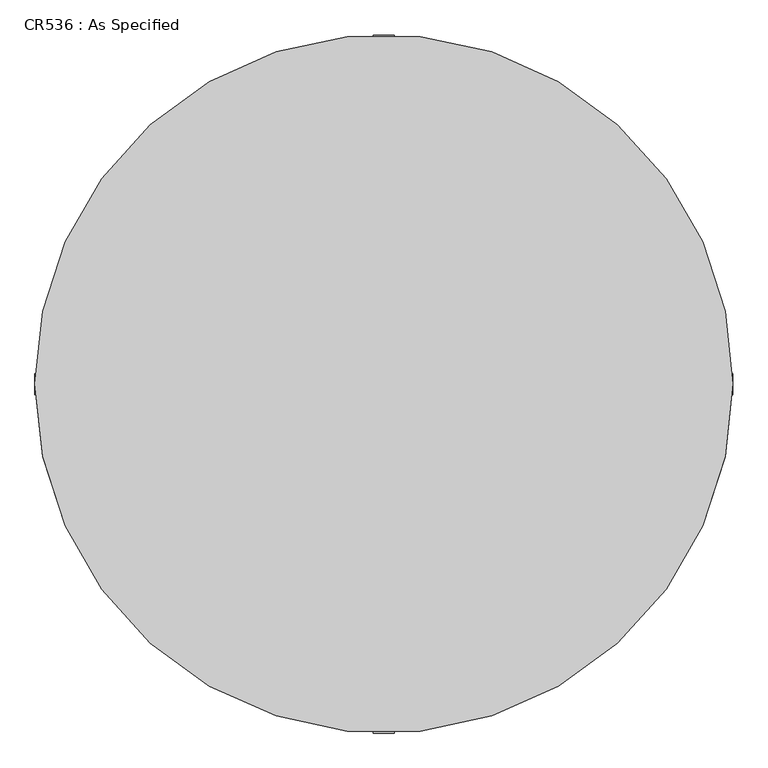
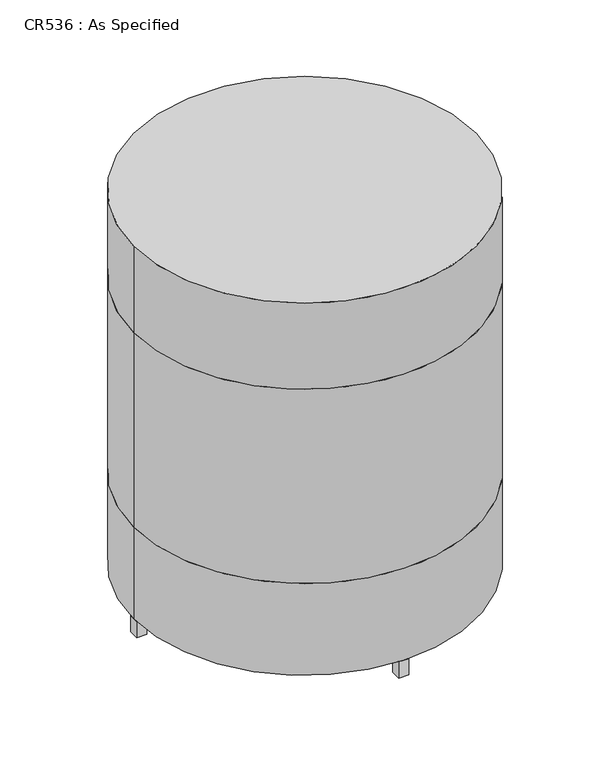
"""IFC4 building model written with IfcOpenShell, lengths in millimetres: proxy geometry, CR536 : As Specified."""

import ifcopenshell
import ifcopenshell.guid

model = None  # the IFC model being written
_history = None  # IfcOwnerHistory: only IFC2X3 demands one
_inside = {}  # id of a spatial element -> (the spatial element, [elements in it])
_under = {}  # id of a project, library or spatial element -> (it, [spatial elements below it])
_declared = {}  # id of a project -> (the project, [libraries it declares])
_typed = {}  # id of a type object -> (the type object, [elements of that type])
_made_of = {}  # id of a material, layer set ... -> (it, [elements and type objects made of it])


def new_model(schema):
    """Start an empty IFC model of exactly this schema.

    Asked for "IFC4X3", IfcOpenShell would pick the latest addendum, in which some entities
    have other attributes; the version numbers below select the first issue.
    IFC2X3 requires an IfcOwnerHistory on every rooted entity: one is made here for all.
    """
    global model, _history
    if schema == "IFC4X3":
        model = ifcopenshell.file(schema_version=(4, 3, 0, 0))
    else:
        model = ifcopenshell.file(schema=schema)
    _inside.clear()
    _under.clear()
    _declared.clear()
    _typed.clear()
    _made_of.clear()
    _history = None
    if model.schema == "IFC2X3":
        org = make("IfcOrganization", Name="unknown")
        user = make(
            "IfcPersonAndOrganization",
            ThePerson=make("IfcPerson", FamilyName="unknown"),
            TheOrganization=org,
        )
        app = make(
            "IfcApplication",
            ApplicationDeveloper=org,
            Version="unknown",
            ApplicationFullName="unknown",
            ApplicationIdentifier="unknown",
        )
        _history = make(
            "IfcOwnerHistory",
            OwningUser=user,
            OwningApplication=app,
            ChangeAction="ADDED",
            CreationDate=0,
        )
    return model


def make(cls, **values):
    """One entity of the class cls with the attributes given. An attribute that is None is left unset."""
    return model.create_entity(
        cls, **{name: value for name, value in values.items() if value is not None}
    )


def rooted(cls, **values):
    """An entity with a GlobalId (a new one), such as an element, a storey or a relation."""
    return make(cls, GlobalId=ifcopenshell.guid.new(), OwnerHistory=_history, **values)


def si_unit(unit_type, name, prefix=None):
    """IfcSIUnit, for example si_unit("LENGTHUNIT", "METRE", prefix="MILLI")."""
    return make("IfcSIUnit", UnitType=unit_type, Prefix=prefix, Name=name)


def assignment(units):
    """IfcUnitAssignment: the units of a project."""
    return None if units is None else make("IfcUnitAssignment", Units=units)


def point(xyz):
    """IfcCartesianPoint."""
    return None if xyz is None else make("IfcCartesianPoint", Coordinates=xyz)


def direction(xyz):
    """IfcDirection."""
    return None if xyz is None else make("IfcDirection", DirectionRatios=xyz)


def frame(location, z_axis=None, x_axis=None):
    """IfcAxis2Placement3D, a coordinate frame: its origin and axes. An axis left out is left unset."""
    return make(
        "IfcAxis2Placement3D",
        Location=point(location),
        Axis=direction(z_axis),
        RefDirection=direction(x_axis),
    )


def frame_2d(location, x_axis=None):
    """IfcAxis2Placement2D, a coordinate frame in the plane: its origin and x axis."""
    return make(
        "IfcAxis2Placement2D", Location=point(location), RefDirection=direction(x_axis)
    )


def origin():
    """The frame at (0, 0, 0) with its axes left unset."""
    return frame((0.0, 0.0, 0.0))


def origin_with_axes():
    """The frame at (0, 0, 0) with the z axis (0, 0, 1) and the x axis (1, 0, 0) written out."""
    return frame((0.0, 0.0, 0.0), z_axis=(0.0, 0.0, 1.0), x_axis=(1.0, 0.0, 0.0))


def origin_2d():
    """The frame at (0, 0) in the plane with its x axis left unset."""
    return frame_2d((0.0, 0.0))


def place(relative_to, where):
    """IfcLocalPlacement: puts the frame where relative to a parent placement (None: the world)."""
    return make(
        "IfcLocalPlacement", PlacementRelTo=relative_to, RelativePlacement=where
    )


def context(
    kind, dimensions, precision=None, world=None, true_north=None, identifier=None
):
    """IfcGeometricRepresentationContext, for example the 3D "Model" context."""
    return make(
        "IfcGeometricRepresentationContext",
        ContextIdentifier=identifier,
        ContextType=kind,
        CoordinateSpaceDimension=dimensions,
        Precision=precision,
        WorldCoordinateSystem=world,
        TrueNorth=true_north,
    )


def project(units=None, contexts=None):
    """IfcProject with its units and contexts."""
    return rooted(
        "IfcProject",
        Name="project",
        RepresentationContexts=contexts,
        UnitsInContext=assignment(units),
    )


def spatial(cls, under=None, at=None, **own):
    """A site, building, storey or space (cls), placed at a placement, below another one or the project."""
    s = rooted(cls, ObjectPlacement=at, **own)
    if under is not None:
        _under.setdefault(under.id(), (under, []))[1].append(s)
    return s


def polyline(points):
    """IfcPolyline through the points."""
    return make("IfcPolyline", Points=[point(p) for p in points])


def circle_curve(where, radius):
    """IfcCircle in the frame where."""
    return make("IfcCircle", Position=where, Radius=radius)


def trimmed(basis, trim1, trim2, sense, master):
    """IfcTrimmedCurve: the piece of a basis curve between two trims."""
    return make(
        "IfcTrimmedCurve",
        BasisCurve=basis,
        Trim1=trim1,
        Trim2=trim2,
        SenseAgreement=sense,
        MasterRepresentation=master,
    )


def segment(curve, same_sense, transition):
    """IfcCompositeCurveSegment."""
    return make(
        "IfcCompositeCurveSegment",
        Transition=transition,
        SameSense=same_sense,
        ParentCurve=curve,
    )


def composite_curve(segments, self_intersect=None):
    """IfcCompositeCurve: segments joined end to end."""
    return make("IfcCompositeCurve", Segments=segments, SelfIntersect=self_intersect)


def outline(outer, holes=None, kind="AREA"):
    """IfcArbitraryClosedProfileDef: a profile drawn as a closed curve; with holes, ...WithVoids."""
    if holes is None:
        return make("IfcArbitraryClosedProfileDef", ProfileType=kind, OuterCurve=outer)
    return make(
        "IfcArbitraryProfileDefWithVoids",
        ProfileType=kind,
        OuterCurve=outer,
        InnerCurves=holes,
    )


def extrude(swept, where, along, depth):
    """IfcExtrudedAreaSolid: the profile swept, set in the frame where, extruded along a direction by depth."""
    return make(
        "IfcExtrudedAreaSolid",
        SweptArea=swept,
        Position=where,
        ExtrudedDirection=direction(along),
        Depth=depth,
    )


def shape(context_of_items, identifier, shape_type, items):
    """IfcShapeRepresentation: the items that make up one representation, for example the "Body"."""
    return make(
        "IfcShapeRepresentation",
        ContextOfItems=context_of_items,
        RepresentationIdentifier=identifier,
        RepresentationType=shape_type,
        Items=items,
    )


def source(mapping_origin, context_of_items, identifier, shape_type, items):
    """IfcRepresentationMap: a shape defined once, which mapped items show again and again."""
    return make(
        "IfcRepresentationMap",
        MappingOrigin=mapping_origin,
        MappedRepresentation=shape(context_of_items, identifier, shape_type, items),
    )


def transform(
    local_origin,
    x_axis=None,
    y_axis=None,
    z_axis=None,
    scale=None,
    scale2=None,
    scale3=None,
    uniform=True,
):
    """IfcCartesianTransformationOperator3D, or its non-uniform kind. x_axis, y_axis, z_axis: its Axis1, 2, 3."""
    if uniform:
        return make(
            "IfcCartesianTransformationOperator3D",
            Axis1=direction(x_axis),
            Axis2=direction(y_axis),
            LocalOrigin=point(local_origin),
            Scale=scale,
            Axis3=direction(z_axis),
        )
    return make(
        "IfcCartesianTransformationOperator3DnonUniform",
        Axis1=direction(x_axis),
        Axis2=direction(y_axis),
        LocalOrigin=point(local_origin),
        Scale=scale,
        Axis3=direction(z_axis),
        Scale2=scale2,
        Scale3=scale3,
    )


def mapped(mapping_source, mapping_target):
    """IfcMappedItem: shows the shape of a source again, moved by a transform."""
    return make(
        "IfcMappedItem", MappingSource=mapping_source, MappingTarget=mapping_target
    )


def made_of(thing, what):
    """Note that an element or type object is made of a material, layer set ...; save() writes the relation."""
    if what is not None:
        _made_of.setdefault(what.id(), (what, []))[1].append(thing)
    return thing


def element(
    cls,
    number,
    at=None,
    inside=None,
    cuts=None,
    type_object=None,
    material=None,
    context=None,
    identifier="Body",
    shape_type=None,
    held_by="IfcProductDefinitionShape",
    body=None,
    shapes=None,
    **own,
):
    """One element of the class cls, such as IfcWall. Its Tag is "e" and its number.

    at: its placement. inside: the storey or other place that contains it. cuts: it is an
    opening in that element (IfcRelVoidsElement). A single representation is given by context,
    identifier, shape_type and body (its items); several are given by shapes. held_by: the class
    of the entity that holds the representations. save() writes the other relations.
    """
    e = rooted(cls, Tag="e%d" % number, ObjectPlacement=at, **own)
    if body is not None:
        shapes = [shape(context, identifier, shape_type, body)]
    if shapes is not None:
        e.Representation = make(held_by, Representations=shapes)
    if inside is not None:
        _inside.setdefault(inside.id(), (inside, []))[1].append(e)
    if cuts is not None:
        rooted(
            "IfcRelVoidsElement", RelatingBuildingElement=cuts, RelatedOpeningElement=e
        )
    if type_object is not None:
        _typed.setdefault(type_object.id(), (type_object, []))[1].append(e)
    return made_of(e, material)


def aggregate(whole, parts):
    """IfcRelAggregates: a whole, such as a stair, and the parts it consists of."""
    return rooted("IfcRelAggregates", RelatingObject=whole, RelatedObjects=parts)


def save(model, path):
    """Write the relations noted so far, then the file.

    IfcRelAggregates (storeys below a building ...), IfcRelContainedInSpatialStructure (elements
    in a storey), IfcRelDefinesByType, IfcRelAssociatesMaterial and IfcRelDeclares: one each for
    every whole, place, type object, material and project.
    """
    for whole, parts in _under.values():
        aggregate(whole, parts)
    for where, things in _inside.values():
        rooted(
            "IfcRelContainedInSpatialStructure",
            RelatedElements=things,
            RelatingStructure=where,
        )
    for kind, things in _typed.values():
        rooted("IfcRelDefinesByType", RelatedObjects=things, RelatingType=kind)
    for what, things in _made_of.values():
        rooted("IfcRelAssociatesMaterial", RelatedObjects=things, RelatingMaterial=what)
    for by, libraries in _declared.values():
        rooted("IfcRelDeclares", RelatingContext=by, RelatedDefinitions=libraries)
    model.write(path)


def cr536_as_specified_47a14628(model_context):
    return source(origin(), model_context, "Body", "SweptSolid", [
        extrude(outline(polyline([(-76.2, 584.2), (-76.2, 533.4), (-127.0, 533.4), (-127.0, 584.2), (-76.2, 584.2)])), frame((0.0, 0.0, 50.8), z_axis=(0.0, 0.0, 1.0), x_axis=(1.0, 0.0, 0.0)), (0.0, 0.0, 1.0), 25.4),
        extrude(outline(polyline([(76.2, 584.2), (127.0, 584.2), (127.0, 533.4), (76.2, 533.4), (76.2, 584.2)])), frame((0.0, 0.0, 50.8), z_axis=(0.0, 0.0, 1.0), x_axis=(1.0, 0.0, 0.0)), (0.0, 0.0, 1.0), 25.4),
        extrude(outline(polyline([(22.86, 762.0), (22.86, 716.28), (-22.86, 716.28), (-22.86, 762.0), (22.86, 762.0)])), origin_with_axes(), (0.0, 0.0, 1.0), 76.2),
        extrude(outline(polyline([(762.0, 22.86), (762.0, -22.86), (716.28, -22.86), (716.28, 22.86), (762.0, 22.86)])), origin_with_axes(), (0.0, 0.0, 1.0), 76.2),
        extrude(outline(polyline([(22.86, -762.0), (-22.86, -762.0), (-22.86, -716.28), (22.86, -716.28), (22.86, -762.0)])), origin_with_axes(), (0.0, 0.0, 1.0), 76.2),
        extrude(outline(polyline([(-762.0, 22.86), (-716.28, 22.86), (-716.28, -22.86), (-762.0, -22.86), (-762.0, 22.86)])), origin_with_axes(), (0.0, 0.0, 1.0), 76.2),
        extrude(outline(composite_curve([segment(trimmed(circle_curve(origin_2d(), 762.0), [point((762.0, 0.0))], [point((-762.0, 0.0))], False, "CARTESIAN"), True, "CONTINUOUS"), segment(trimmed(circle_curve(origin_2d(), 762.0), [point((-762.0, 0.0))], [point((762.0, 0.0))], False, "CARTESIAN"), True, "CONTINUOUS")], self_intersect=False)), frame((0.0, 0.0, 508.0), z_axis=(0.0, 0.0, 1.0), x_axis=(1.0, 0.0, 0.0)), (0.0, 0.0, 1.0), 914.4),
        extrude(outline(composite_curve([segment(trimmed(circle_curve(origin_2d(), 762.0), [point((762.0, 0.0))], [point((-762.0, 0.0))], False, "CARTESIAN"), True, "CONTINUOUS"), segment(trimmed(circle_curve(origin_2d(), 762.0), [point((-762.0, 0.0))], [point((762.0, 0.0))], False, "CARTESIAN"), True, "CONTINUOUS")], self_intersect=False)), frame((0.0, 0.0, 1422.4), z_axis=(0.0, 0.0, 1.0), x_axis=(1.0, 0.0, 0.0)), (0.0, 0.0, 1.0), 406.4),
        extrude(outline(composite_curve([segment(trimmed(circle_curve(origin_2d(), 762.0), [point((762.0, 0.0))], [point((-762.0, 0.0))], False, "CARTESIAN"), True, "CONTINUOUS"), segment(trimmed(circle_curve(origin_2d(), 762.0), [point((-762.0, 0.0))], [point((762.0, 0.0))], False, "CARTESIAN"), True, "CONTINUOUS")], self_intersect=False)), frame((0.0, 0.0, 76.2), z_axis=(0.0, 0.0, 1.0), x_axis=(1.0, 0.0, 0.0)), (0.0, 0.0, 1.0), 431.8),
    ])


if __name__ == "__main__":
    model = new_model("IFC4")
    model_context = context("Model", 3, world=origin())
    ifc_project = project(units=[si_unit("LENGTHUNIT", "METRE", prefix="MILLI")], contexts=[model_context])
    site = spatial("IfcSite", under=ifc_project)
    building = spatial("IfcBuilding", under=site)
    placement = place(None, origin())
    cr536_as_specified_shape = cr536_as_specified_47a14628(model_context)
    element("IfcBuildingElementProxy", 1, Name="CR536 : As Specified", ObjectType="CR536 : As Specified", at=placement, inside=building, context=model_context, shape_type="MappedRepresentation", body=[
        mapped(cr536_as_specified_shape, transform((0.0, 0.0, 0.0), x_axis=(1.0, 0.0, 0.0), y_axis=(0.0, 1.0, 0.0), z_axis=(0.0, 0.0, 1.0))),
    ])
    save(model, "model.ifc")
